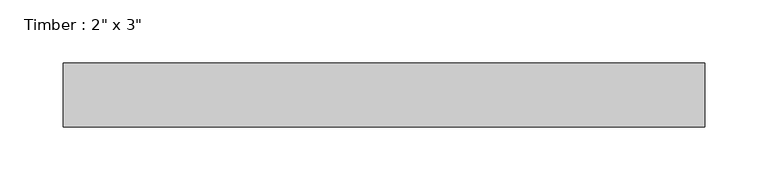
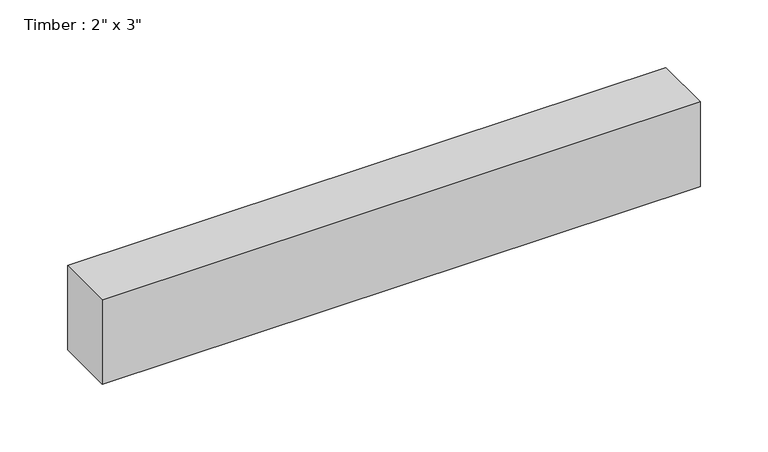
"""IFC4 building model written with IfcOpenShell, lengths in millimetres: beam geometry."""

import ifcopenshell
import ifcopenshell.guid

model = None  # the IFC model being written
_history = None  # IfcOwnerHistory: only IFC2X3 demands one
_inside = {}  # id of a spatial element -> (the spatial element, [elements in it])
_under = {}  # id of a project, library or spatial element -> (it, [spatial elements below it])
_declared = {}  # id of a project -> (the project, [libraries it declares])
_typed = {}  # id of a type object -> (the type object, [elements of that type])
_made_of = {}  # id of a material, layer set ... -> (it, [elements and type objects made of it])


def new_model(schema):
    """Start an empty IFC model of exactly this schema.

    Asked for "IFC4X3", IfcOpenShell would pick the latest addendum, in which some entities
    have other attributes; the version numbers below select the first issue.
    IFC2X3 requires an IfcOwnerHistory on every rooted entity: one is made here for all.
    """
    global model, _history
    if schema == "IFC4X3":
        model = ifcopenshell.file(schema_version=(4, 3, 0, 0))
    else:
        model = ifcopenshell.file(schema=schema)
    _inside.clear()
    _under.clear()
    _declared.clear()
    _typed.clear()
    _made_of.clear()
    _history = None
    if model.schema == "IFC2X3":
        org = make("IfcOrganization", Name="unknown")
        user = make(
            "IfcPersonAndOrganization",
            ThePerson=make("IfcPerson", FamilyName="unknown"),
            TheOrganization=org,
        )
        app = make(
            "IfcApplication",
            ApplicationDeveloper=org,
            Version="unknown",
            ApplicationFullName="unknown",
            ApplicationIdentifier="unknown",
        )
        _history = make(
            "IfcOwnerHistory",
            OwningUser=user,
            OwningApplication=app,
            ChangeAction="ADDED",
            CreationDate=0,
        )
    return model


def make(cls, **values):
    """One entity of the class cls with the attributes given. An attribute that is None is left unset."""
    return model.create_entity(
        cls, **{name: value for name, value in values.items() if value is not None}
    )


def rooted(cls, **values):
    """An entity with a GlobalId (a new one), such as an element, a storey or a relation."""
    return make(cls, GlobalId=ifcopenshell.guid.new(), OwnerHistory=_history, **values)


def si_unit(unit_type, name, prefix=None):
    """IfcSIUnit, for example si_unit("LENGTHUNIT", "METRE", prefix="MILLI")."""
    return make("IfcSIUnit", UnitType=unit_type, Prefix=prefix, Name=name)


def assignment(units):
    """IfcUnitAssignment: the units of a project."""
    return None if units is None else make("IfcUnitAssignment", Units=units)


def point(xyz):
    """IfcCartesianPoint."""
    return None if xyz is None else make("IfcCartesianPoint", Coordinates=xyz)


def direction(xyz):
    """IfcDirection."""
    return None if xyz is None else make("IfcDirection", DirectionRatios=xyz)


def frame(location, z_axis=None, x_axis=None):
    """IfcAxis2Placement3D, a coordinate frame: its origin and axes. An axis left out is left unset."""
    return make(
        "IfcAxis2Placement3D",
        Location=point(location),
        Axis=direction(z_axis),
        RefDirection=direction(x_axis),
    )


def origin():
    """The frame at (0, 0, 0) with its axes left unset."""
    return frame((0.0, 0.0, 0.0))


def place(relative_to, where):
    """IfcLocalPlacement: puts the frame where relative to a parent placement (None: the world)."""
    return make(
        "IfcLocalPlacement", PlacementRelTo=relative_to, RelativePlacement=where
    )


def context(
    kind, dimensions, precision=None, world=None, true_north=None, identifier=None
):
    """IfcGeometricRepresentationContext, for example the 3D "Model" context."""
    return make(
        "IfcGeometricRepresentationContext",
        ContextIdentifier=identifier,
        ContextType=kind,
        CoordinateSpaceDimension=dimensions,
        Precision=precision,
        WorldCoordinateSystem=world,
        TrueNorth=true_north,
    )


def project(units=None, contexts=None):
    """IfcProject with its units and contexts."""
    return rooted(
        "IfcProject",
        Name="project",
        RepresentationContexts=contexts,
        UnitsInContext=assignment(units),
    )


def spatial(cls, under=None, at=None, **own):
    """A site, building, storey or space (cls), placed at a placement, below another one or the project."""
    s = rooted(cls, ObjectPlacement=at, **own)
    if under is not None:
        _under.setdefault(under.id(), (under, []))[1].append(s)
    return s


def polyline(points):
    """IfcPolyline through the points."""
    return make("IfcPolyline", Points=[point(p) for p in points])


def outline(outer, holes=None, kind="AREA"):
    """IfcArbitraryClosedProfileDef: a profile drawn as a closed curve; with holes, ...WithVoids."""
    if holes is None:
        return make("IfcArbitraryClosedProfileDef", ProfileType=kind, OuterCurve=outer)
    return make(
        "IfcArbitraryProfileDefWithVoids",
        ProfileType=kind,
        OuterCurve=outer,
        InnerCurves=holes,
    )


def extrude(swept, where, along, depth):
    """IfcExtrudedAreaSolid: the profile swept, set in the frame where, extruded along a direction by depth."""
    return make(
        "IfcExtrudedAreaSolid",
        SweptArea=swept,
        Position=where,
        ExtrudedDirection=direction(along),
        Depth=depth,
    )


def shape(context_of_items, identifier, shape_type, items):
    """IfcShapeRepresentation: the items that make up one representation, for example the "Body"."""
    return make(
        "IfcShapeRepresentation",
        ContextOfItems=context_of_items,
        RepresentationIdentifier=identifier,
        RepresentationType=shape_type,
        Items=items,
    )


def source(mapping_origin, context_of_items, identifier, shape_type, items):
    """IfcRepresentationMap: a shape defined once, which mapped items show again and again."""
    return make(
        "IfcRepresentationMap",
        MappingOrigin=mapping_origin,
        MappedRepresentation=shape(context_of_items, identifier, shape_type, items),
    )


def transform(
    local_origin,
    x_axis=None,
    y_axis=None,
    z_axis=None,
    scale=None,
    scale2=None,
    scale3=None,
    uniform=True,
):
    """IfcCartesianTransformationOperator3D, or its non-uniform kind. x_axis, y_axis, z_axis: its Axis1, 2, 3."""
    if uniform:
        return make(
            "IfcCartesianTransformationOperator3D",
            Axis1=direction(x_axis),
            Axis2=direction(y_axis),
            LocalOrigin=point(local_origin),
            Scale=scale,
            Axis3=direction(z_axis),
        )
    return make(
        "IfcCartesianTransformationOperator3DnonUniform",
        Axis1=direction(x_axis),
        Axis2=direction(y_axis),
        LocalOrigin=point(local_origin),
        Scale=scale,
        Axis3=direction(z_axis),
        Scale2=scale2,
        Scale3=scale3,
    )


def mapped(mapping_source, mapping_target):
    """IfcMappedItem: shows the shape of a source again, moved by a transform."""
    return make(
        "IfcMappedItem", MappingSource=mapping_source, MappingTarget=mapping_target
    )


def made_of(thing, what):
    """Note that an element or type object is made of a material, layer set ...; save() writes the relation."""
    if what is not None:
        _made_of.setdefault(what.id(), (what, []))[1].append(thing)
    return thing


def element(
    cls,
    number,
    at=None,
    inside=None,
    cuts=None,
    type_object=None,
    material=None,
    context=None,
    identifier="Body",
    shape_type=None,
    held_by="IfcProductDefinitionShape",
    body=None,
    shapes=None,
    **own,
):
    """One element of the class cls, such as IfcWall. Its Tag is "e" and its number.

    at: its placement. inside: the storey or other place that contains it. cuts: it is an
    opening in that element (IfcRelVoidsElement). A single representation is given by context,
    identifier, shape_type and body (its items); several are given by shapes. held_by: the class
    of the entity that holds the representations. save() writes the other relations.
    """
    e = rooted(cls, Tag="e%d" % number, ObjectPlacement=at, **own)
    if body is not None:
        shapes = [shape(context, identifier, shape_type, body)]
    if shapes is not None:
        e.Representation = make(held_by, Representations=shapes)
    if inside is not None:
        _inside.setdefault(inside.id(), (inside, []))[1].append(e)
    if cuts is not None:
        rooted(
            "IfcRelVoidsElement", RelatingBuildingElement=cuts, RelatedOpeningElement=e
        )
    if type_object is not None:
        _typed.setdefault(type_object.id(), (type_object, []))[1].append(e)
    return made_of(e, material)


def aggregate(whole, parts):
    """IfcRelAggregates: a whole, such as a stair, and the parts it consists of."""
    return rooted("IfcRelAggregates", RelatingObject=whole, RelatedObjects=parts)


def save(model, path):
    """Write the relations noted so far, then the file.

    IfcRelAggregates (storeys below a building ...), IfcRelContainedInSpatialStructure (elements
    in a storey), IfcRelDefinesByType, IfcRelAssociatesMaterial and IfcRelDeclares: one each for
    every whole, place, type object, material and project.
    """
    for whole, parts in _under.values():
        aggregate(whole, parts)
    for where, things in _inside.values():
        rooted(
            "IfcRelContainedInSpatialStructure",
            RelatedElements=things,
            RelatingStructure=where,
        )
    for kind, things in _typed.values():
        rooted("IfcRelDefinesByType", RelatedObjects=things, RelatingType=kind)
    for what, things in _made_of.values():
        rooted("IfcRelAssociatesMaterial", RelatedObjects=things, RelatingMaterial=what)
    for by, libraries in _declared.values():
        rooted("IfcRelDeclares", RelatingContext=by, RelatedDefinitions=libraries)
    model.write(path)


def beam_599cf924(model_context):
    return source(origin(), model_context, "Body", "SweptSolid", [
        extrude(outline(polyline([(254.7542526, 25.4), (254.7542526, -25.4), (-254.7542526, -25.4), (-254.7542526, 25.4), (254.7542526, 25.4)])), frame((0.0, 0.0, -38.1), z_axis=(0.0, 0.0, 1.0), x_axis=(1.0, 0.0, 0.0)), (0.0, 0.0, 1.0), 76.2),
    ])


if __name__ == "__main__":
    model = new_model("IFC4")
    model_context = context("Model", 3, world=origin())
    ifc_project = project(units=[si_unit("LENGTHUNIT", "METRE", prefix="MILLI")], contexts=[model_context])
    site = spatial("IfcSite", under=ifc_project)
    building = spatial("IfcBuilding", under=site)
    placement = place(None, origin())
    beam_shape = beam_599cf924(model_context)
    element("IfcBeam", 1, ObjectType="Timber : 2\" x 3\"", at=placement, inside=building, context=model_context, shape_type="MappedRepresentation", body=[
        mapped(beam_shape, transform((0.0, 0.0, 0.0), x_axis=(1.0, 0.0, 0.0), y_axis=(0.0, 1.0, 0.0), z_axis=(0.0, 0.0, 1.0))),
    ])
    save(model, "model.ifc")
